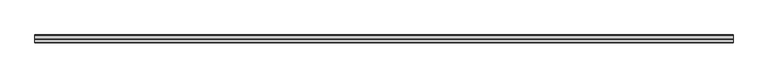
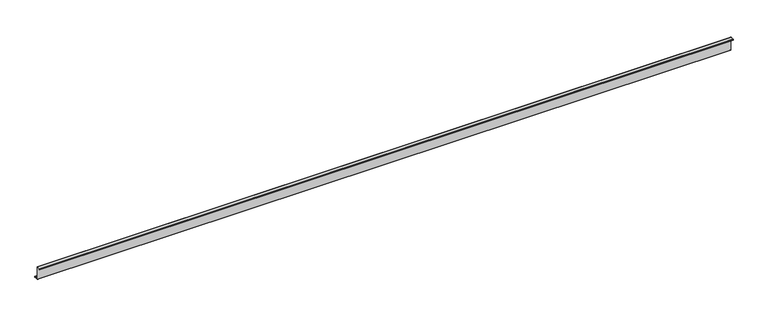
"""IFC4 building model written with IfcOpenShell, lengths in millimetres: member geometry."""

from ifc_helpers import new_model, si_unit, point, frame, frame_2d, origin, place, context, project, spatial, polyline, circle_curve, trimmed, segment, composite_curve, outline, extrude, source, transform, mapped, element, save


def member_2d34609e(model_context):
    return source(origin(), model_context, "Body", "SweptSolid", [
        extrude(outline(composite_curve([segment(polyline([(0.0, -123.5), (0.0, 123.5)]), True, "CONTINUOUS"), segment(trimmed(circle_curve(frame_2d((-2.0, 123.5)), 2.0), [point((0.0, 123.5))], [point((-2.0, 125.5))], True, "CARTESIAN"), True, "CONTINUOUS"), segment(polyline([(-2.0, 125.5), (-63.5, 125.5)]), True, "CONTINUOUS"), segment(trimmed(circle_curve(frame_2d((-63.5, 123.5)), 2.0), [point((-63.5, 125.5))], [point((-65.5, 123.5))], True, "CARTESIAN"), True, "CONTINUOUS"), segment(polyline([(-65.5, 123.5), (-65.5, 107.0), (-67.0, 107.0), (-67.0, 123.5)]), True, "CONTINUOUS"), segment(trimmed(circle_curve(frame_2d((-63.5, 123.5)), 3.5), [point((-67.0, 123.5))], [point((-63.5, 127.0))], False, "CARTESIAN"), True, "CONTINUOUS"), segment(polyline([(-63.5, 127.0), (-2.0, 127.0)]), True, "CONTINUOUS"), segment(trimmed(circle_curve(frame_2d((-2.0, 123.5)), 3.5), [point((-2.0, 127.0))], [point((1.5, 123.5))], False, "CARTESIAN"), True, "CONTINUOUS"), segment(polyline([(1.5, 123.5), (1.5, -123.5)]), True, "CONTINUOUS"), segment(trimmed(circle_curve(frame_2d((3.5, -123.5)), 2.0), [point((1.5, -123.5))], [point((3.5, -125.5))], True, "CARTESIAN"), True, "CONTINUOUS"), segment(polyline([(3.5, -125.5), (75.0, -125.5)]), True, "CONTINUOUS"), segment(trimmed(circle_curve(frame_2d((75.0, -123.5)), 2.0), [point((75.0, -125.5))], [point((77.0, -123.5))], True, "CARTESIAN"), True, "CONTINUOUS"), segment(polyline([(77.0, -123.5), (77.0, -107.5), (78.5, -107.5), (78.5, -123.5)]), True, "CONTINUOUS"), segment(trimmed(circle_curve(frame_2d((75.0, -123.5)), 3.5), [point((78.5, -123.5))], [point((75.0, -127.0))], False, "CARTESIAN"), True, "CONTINUOUS"), segment(polyline([(75.0, -127.0), (3.5, -127.0)]), True, "CONTINUOUS"), segment(trimmed(circle_curve(frame_2d((3.5, -123.5)), 3.5), [point((3.5, -127.0))], [point((0.0, -123.5))], False, "CARTESIAN"), True, "CONTINUOUS")], self_intersect=False)), frame((-6402.5, 0.0, 0.0), z_axis=(1.0, 0.0, 0.0), x_axis=(0.0, 1.0, 0.0)), (0.0, 0.0, 1.0), 12805.0),
    ])


if __name__ == "__main__":
    model = new_model("IFC4")
    model_context = context("Model", 3, world=origin())
    ifc_project = project(units=[si_unit("LENGTHUNIT", "METRE", prefix="MILLI")], contexts=[model_context])
    site = spatial("IfcSite", under=ifc_project)
    building = spatial("IfcBuilding", under=site)
    placement = place(None, origin())
    member_shape = member_2d34609e(model_context)
    element("IfcMember", 1, at=placement, inside=building, context=model_context, shape_type="MappedRepresentation", body=[
        mapped(member_shape, transform((0.0, 0.0, 0.0), x_axis=(1.0, 0.0, 0.0), y_axis=(0.0, 1.0, 0.0), z_axis=(0.0, 0.0, 1.0))),
    ])
    save(model, "model.ifc")
